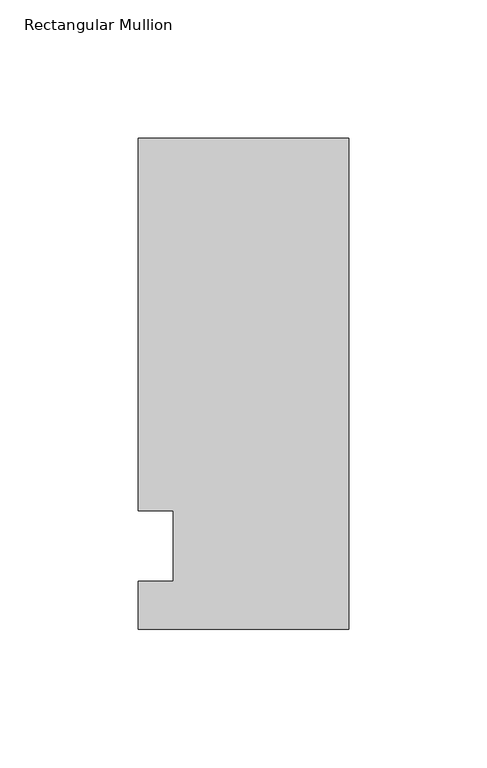
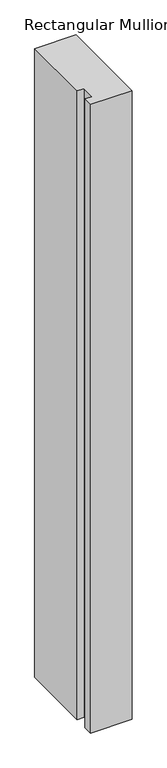
"""IFC4 building model written with IfcOpenShell, lengths in millimetres: member geometry, Rectangular Mullion."""

from ifc_helpers import new_model, si_unit, frame, origin, place, context, project, spatial, polyline, outline, extrude, source, transform, mapped, element, save


def rectangular_mullion_ea1e0299(model_context):
    return source(origin(), model_context, "Body", "SweptSolid", [
        extrude(outline(polyline([(42.4344027, 147.6375), (42.4344027, -30.1625), (-33.7655973, -30.1625), (-33.7655973, -12.7), (-21.0655973, -12.7), (-21.0655973, 12.7), (-33.7655973, 12.7), (-33.7655973, 147.6375), (42.4344027, 147.6375)])), frame((0.0, 0.0, -1219.2), z_axis=(0.0, 0.0, 1.0), x_axis=(1.0, 0.0, 0.0)), (0.0, 0.0, 1.0), 1219.2),
    ])


if __name__ == "__main__":
    model = new_model("IFC4")
    model_context = context("Model", 3, world=origin())
    ifc_project = project(units=[si_unit("LENGTHUNIT", "METRE", prefix="MILLI")], contexts=[model_context])
    site = spatial("IfcSite", under=ifc_project)
    building = spatial("IfcBuilding", under=site)
    placement = place(None, origin())
    rectangular_mullion_shape = rectangular_mullion_ea1e0299(model_context)
    element("IfcMember", 1, ObjectType="Rectangular Mullion", at=placement, inside=building, context=model_context, shape_type="MappedRepresentation", body=[
        mapped(rectangular_mullion_shape, transform((0.0, 0.0, 0.0), x_axis=(1.0, 0.0, 0.0), y_axis=(0.0, 1.0, 0.0), z_axis=(0.0, 0.0, 1.0))),
    ])
    save(model, "model.ifc")
